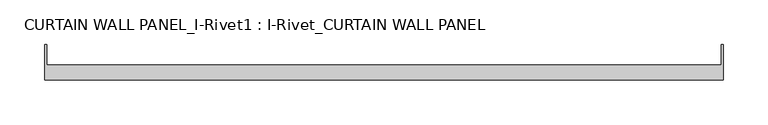
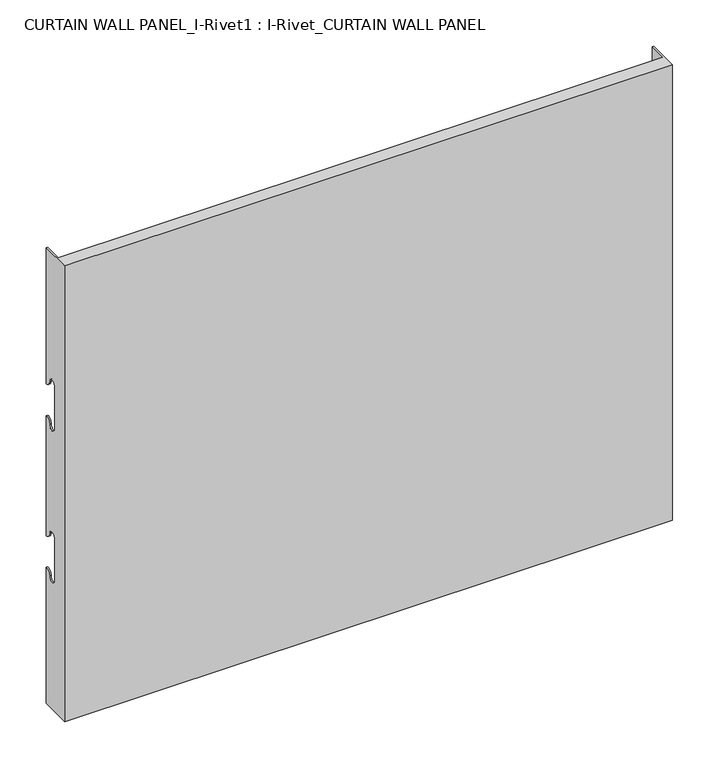
"""IFC4 building model written with IfcOpenShell, lengths in millimetres: plate geometry, CURTAIN WALL PANEL_I-Rivet1 : I-Rivet_CURTAIN WALL PANEL."""

from ifc_helpers import new_model, si_unit, frame, origin, place, context, project, spatial, polyline, circle_curve, source, transform, mapped, element, save
from ifc_brep_helpers import plane_surface, cylinder_surface, revolved_surface, advanced_brep


def curtain_wall_panel_i_rivet1_i_rivet_curtain_wall_panel_ecd3a183(model_context):
    return source(origin(), model_context, "Body", "AdvancedBrep", [
        advanced_brep(
        [(-378.5915221, -85.0, 600.0), (378.5915221, -85.0, 600.0), (378.5915221, -45.3384103, 600.0), (376.5915221, -45.3384103, 600.0), (376.5915221, -68.0, 600.0), (-376.5915221, -68.0, 600.0), (-376.5915221, -45.3384103, 600.0), (-378.5915221, -45.3384103, 600.0), (-378.5915221, -85.0, 0.0), (-378.5915221, -45.3384103, 0.0), (-376.5915221, -45.3384103, 0.0), (-376.5915221, -68.0, 0.0), (376.5915221, -68.0, 0.0), (376.5915221, -45.3384103, 0.0), (378.5915221, -45.3384103, 0.0), (378.5915221, -85.0, 0.0), (-378.5915221, -45.3384103, 421.0), (-378.5915221, -52.3384103, 428.0), (-378.5915221, -63.3384103, 428.0), (-378.5915221, -63.3384103, 372.0), (-378.5915221, -52.3384103, 372.0), (-378.5915221, -45.3384103, 379.0), (-378.5915221, -45.3384103, 221.0), (-378.5915221, -52.3384103, 228.0), (-378.5915221, -63.3384103, 228.0), (-378.5915221, -63.3384103, 172.0), (-378.5915221, -52.3384103, 172.0), (-378.5915221, -45.3384103, 179.0), (-376.5915221, -45.3384103, 179.0), (-376.5915221, -45.3384103, 379.0), (-376.5915221, -45.3384103, 221.0), (-376.5915221, -45.3384103, 421.0), (378.5915221, -45.3384103, 421.0), (376.5915221, -45.3384103, 421.0), (376.5915221, -45.3384103, 179.0), (378.5915221, -45.3384103, 179.0), (376.5915221, -45.3384103, 221.0), (376.5915221, -45.3384103, 379.0), (378.5915221, -45.3384103, 379.0), (378.5915221, -45.3384103, 221.0), (378.5915221, -52.3384103, 172.0), (378.5915221, -63.3384103, 172.0), (378.5915221, -63.3384103, 228.0), (378.5915221, -52.3384103, 228.0), (378.5915221, -52.3384103, 372.0), (378.5915221, -63.3384103, 372.0), (378.5915221, -63.3384103, 428.0), (378.5915221, -52.3384103, 428.0), (-376.5915221, -52.3384103, 172.0), (-376.5915221, -63.3384103, 172.0), (-376.5915221, -63.3384103, 228.0), (-376.5915221, -52.3384103, 228.0), (-376.5915221, -52.3384103, 372.0), (-376.5915221, -63.3384103, 372.0), (-376.5915221, -63.3384103, 428.0), (-376.5915221, -52.3384103, 428.0), (376.5915221, -52.3384103, 428.0), (376.5915221, -63.3384103, 428.0), (376.5915221, -63.3384103, 372.0), (376.5915221, -52.3384103, 372.0), (376.5915221, -52.3384103, 228.0), (376.5915221, -63.3384103, 228.0), (376.5915221, -63.3384103, 172.0), (376.5915221, -52.3384103, 172.0)],
        [
            (0, 1),
            (1, 2),
            (2, 3),
            (3, 4),
            (4, 5),
            (5, 6),
            (6, 7),
            (7, 0),
            (8, 9),
            (9, 10),
            (10, 11),
            (11, 12),
            (12, 13),
            (13, 14),
            (14, 15),
            (15, 8),
            (7, 16),
            (16, 17, circle_curve(frame((-378.5915221, -45.3384103, 428.0), z_axis=(-1.0, 0.0, 0.0), x_axis=(0.0, -1.0, 0.0)), 7.0)),
            (17, 18, circle_curve(frame((-378.5915221, -57.8384103, 428.0), z_axis=(1.0, 0.0, 0.0), x_axis=(0.0, -1.0, 0.0)), 5.5)),
            (18, 19),
            (19, 20, circle_curve(frame((-378.5915221, -57.8384103, 372.0), z_axis=(1.0, 0.0, 0.0), x_axis=(0.0, -1.0, 0.0)), 5.5)),
            (20, 21, circle_curve(frame((-378.5915221, -45.3384103, 372.0), z_axis=(-1.0, 0.0, 0.0), x_axis=(0.0, -1.0, 0.0)), 7.0)),
            (21, 22),
            (22, 23, circle_curve(frame((-378.5915221, -45.3384103, 228.0), z_axis=(-1.0, 0.0, 0.0), x_axis=(0.0, -1.0, 0.0)), 7.0)),
            (23, 24, circle_curve(frame((-378.5915221, -57.8384103, 228.0), z_axis=(1.0, 0.0, 0.0), x_axis=(0.0, -1.0, 0.0)), 5.5)),
            (24, 25),
            (25, 26, circle_curve(frame((-378.5915221, -57.8384103, 172.0), z_axis=(1.0, 0.0, 0.0), x_axis=(0.0, -1.0, 0.0)), 5.5)),
            (26, 27, circle_curve(frame((-378.5915221, -45.3384103, 172.0), z_axis=(-1.0, 0.0, 0.0), x_axis=(0.0, -1.0, 0.0)), 7.0)),
            (27, 9),
            (8, 0),
            (27, 28),
            (28, 10),
            (21, 29),
            (29, 30),
            (30, 22),
            (6, 31),
            (31, 16),
            (2, 32),
            (32, 33),
            (33, 3),
            (13, 34),
            (34, 35),
            (35, 14),
            (36, 37),
            (37, 38),
            (38, 39),
            (39, 36),
            (1, 15),
            (35, 40, circle_curve(frame((378.5915221, -45.3384103, 172.0), z_axis=(1.0, 0.0, 0.0), x_axis=(0.0, -1.0, 0.0)), 7.0)),
            (40, 41, circle_curve(frame((378.5915221, -57.8384103, 172.0), z_axis=(-1.0, 0.0, 0.0), x_axis=(0.0, -1.0, 0.0)), 5.5)),
            (41, 42),
            (42, 43, circle_curve(frame((378.5915221, -57.8384103, 228.0), z_axis=(-1.0, 0.0, 0.0), x_axis=(0.0, -1.0, 0.0)), 5.5)),
            (43, 39, circle_curve(frame((378.5915221, -45.3384103, 228.0), z_axis=(1.0, 0.0, 0.0), x_axis=(0.0, -1.0, 0.0)), 7.0)),
            (38, 44, circle_curve(frame((378.5915221, -45.3384103, 372.0), z_axis=(1.0, 0.0, 0.0), x_axis=(0.0, -1.0, 0.0)), 7.0)),
            (44, 45, circle_curve(frame((378.5915221, -57.8384103, 372.0), z_axis=(-1.0, 0.0, 0.0), x_axis=(0.0, -1.0, 0.0)), 5.5)),
            (45, 46),
            (46, 47, circle_curve(frame((378.5915221, -57.8384103, 428.0), z_axis=(-1.0, 0.0, 0.0), x_axis=(0.0, -1.0, 0.0)), 5.5)),
            (47, 32, circle_curve(frame((378.5915221, -45.3384103, 428.0), z_axis=(1.0, 0.0, 0.0), x_axis=(0.0, -1.0, 0.0)), 7.0)),
            (5, 11),
            (28, 48, circle_curve(frame((-376.5915221, -45.3384103, 172.0), z_axis=(1.0, 0.0, 0.0), x_axis=(0.0, -1.0, 0.0)), 7.0)),
            (48, 49, circle_curve(frame((-376.5915221, -57.8384103, 172.0), z_axis=(-1.0, 0.0, 0.0), x_axis=(0.0, -1.0, 0.0)), 5.5)),
            (49, 50),
            (50, 51, circle_curve(frame((-376.5915221, -57.8384103, 228.0), z_axis=(-1.0, 0.0, 0.0), x_axis=(0.0, -1.0, 0.0)), 5.5)),
            (51, 30, circle_curve(frame((-376.5915221, -45.3384103, 228.0), z_axis=(1.0, 0.0, 0.0), x_axis=(0.0, -1.0, 0.0)), 7.0)),
            (29, 52, circle_curve(frame((-376.5915221, -45.3384103, 372.0), z_axis=(1.0, 0.0, 0.0), x_axis=(0.0, -1.0, 0.0)), 7.0)),
            (52, 53, circle_curve(frame((-376.5915221, -57.8384103, 372.0), z_axis=(-1.0, 0.0, 0.0), x_axis=(0.0, -1.0, 0.0)), 5.5)),
            (53, 54),
            (54, 55, circle_curve(frame((-376.5915221, -57.8384103, 428.0), z_axis=(-1.0, 0.0, 0.0), x_axis=(0.0, -1.0, 0.0)), 5.5)),
            (55, 31, circle_curve(frame((-376.5915221, -45.3384103, 428.0), z_axis=(1.0, 0.0, 0.0), x_axis=(0.0, -1.0, 0.0)), 7.0)),
            (33, 56, circle_curve(frame((376.5915221, -45.3384103, 428.0), z_axis=(-1.0, 0.0, 0.0), x_axis=(0.0, -1.0, 0.0)), 7.0)),
            (56, 57, circle_curve(frame((376.5915221, -57.8384103, 428.0), z_axis=(1.0, 0.0, 0.0), x_axis=(0.0, -1.0, 0.0)), 5.5)),
            (57, 58),
            (58, 59, circle_curve(frame((376.5915221, -57.8384103, 372.0), z_axis=(1.0, 0.0, 0.0), x_axis=(0.0, -1.0, 0.0)), 5.5)),
            (59, 37, circle_curve(frame((376.5915221, -45.3384103, 372.0), z_axis=(-1.0, 0.0, 0.0), x_axis=(0.0, -1.0, 0.0)), 7.0)),
            (36, 60, circle_curve(frame((376.5915221, -45.3384103, 228.0), z_axis=(-1.0, 0.0, 0.0), x_axis=(0.0, -1.0, 0.0)), 7.0)),
            (60, 61, circle_curve(frame((376.5915221, -57.8384103, 228.0), z_axis=(1.0, 0.0, 0.0), x_axis=(0.0, -1.0, 0.0)), 5.5)),
            (61, 62),
            (62, 63, circle_curve(frame((376.5915221, -57.8384103, 172.0), z_axis=(1.0, 0.0, 0.0), x_axis=(0.0, -1.0, 0.0)), 5.5)),
            (63, 34, circle_curve(frame((376.5915221, -45.3384103, 172.0), z_axis=(-1.0, 0.0, 0.0), x_axis=(0.0, -1.0, 0.0)), 7.0)),
            (12, 4),
            (41, 62),
            (61, 42),
            (49, 25),
            (24, 50),
            (40, 63),
            (48, 26),
            (51, 23),
            (43, 60),
            (18, 54),
            (53, 19),
            (57, 46),
            (45, 58),
            (17, 55),
            (56, 47),
            (59, 44),
            (20, 52),
        ],
        [
            plane_surface(frame((-378.5915221, -45.3384103, 600.0), z_axis=(0.0, 0.0, 1.0), x_axis=(0.0, 1.0, 0.0))),
            plane_surface(frame((-378.5915221, -45.3384103, 0.0), z_axis=(0.0, 0.0, -1.0), x_axis=(0.0, -1.0, 0.0))),
            plane_surface(frame((-378.5915221, -85.0, 600.0), z_axis=(-1.0, 0.0, 0.0), x_axis=(0.0, 0.0, -1.0))),
            plane_surface(frame((-378.5915221, -45.3384103, 600.0), z_axis=(0.0, 1.0, 0.0), x_axis=(0.0, 0.0, -1.0))),
            plane_surface(frame((376.5915221, -45.3384103, 600.0), z_axis=(0.0, 1.0, 0.0), x_axis=(0.0, 0.0, -1.0))),
            plane_surface(frame((378.5915221, -45.3384103, 600.0), z_axis=(1.0, 0.0, 0.0), x_axis=(0.0, 0.0, -1.0))),
            plane_surface(frame((378.5915221, -85.0, 600.0), z_axis=(0.0, -1.0, 0.0), x_axis=(0.0, 0.0, -1.0))),
            plane_surface(frame((-376.5915221, -45.3384103, 600.0), z_axis=(1.0, 0.0, 0.0), x_axis=(0.0, 0.0, -1.0))),
            plane_surface(frame((376.5915221, -68.0, 600.0), z_axis=(-1.0, 0.0, 0.0), x_axis=(0.0, 0.0, -1.0))),
            plane_surface(frame((-377.5915221, -68.0, 600.0), z_axis=(0.0, 1.0, 0.0), x_axis=(0.0, 0.0, -1.0))),
            plane_surface(frame((-378.5915221, -63.3384103, 228.0), z_axis=(0.0, 1.0, 0.0), x_axis=(1.0, 0.0, 0.0))),
            revolved_surface(polyline([(376.5915221, -63.3384103, 172.0), (378.5915221, -63.3384103, 172.0)]), (-378.5915221, -57.8384103, 172.0), (-1.0, 0.0, 0.0)),
            revolved_surface(polyline([(-378.5915221, -63.3384103, 172.0), (-376.5915221, -63.3384103, 172.0)]), (-378.5915221, -57.8384103, 172.0), (-1.0, 0.0, 0.0)),
            cylinder_surface(frame((-378.5915221, -45.3384103, 172.0), z_axis=(1.0, 0.0, 0.0), x_axis=(0.0, -1.0, 0.0)), 7.0),
            cylinder_surface(frame((-378.5915221, -45.3384103, 228.0), z_axis=(1.0, 0.0, 0.0), x_axis=(0.0, -1.0, 0.0)), 7.0),
            revolved_surface(polyline([(-378.5915221, -63.3384103, 228.0), (-376.5915221, -63.3384103, 228.0)]), (-378.5915221, -57.8384103, 228.0), (-1.0, 0.0, 0.0)),
            revolved_surface(polyline([(376.5915221, -63.3384103, 228.0), (378.5915221, -63.3384103, 228.0)]), (-378.5915221, -57.8384103, 228.0), (-1.0, 0.0, 0.0)),
            plane_surface(frame((378.5915221, -63.3384103, 372.0), z_axis=(0.0, 1.0, 0.0), x_axis=(-1.0, 0.0, 0.0))),
            revolved_surface(polyline([(-376.5915221, -63.3384103, 428.0), (-378.5915221, -63.3384103, 428.0)]), (378.5915221, -57.8384103, 428.0), (1.0, 0.0, 0.0)),
            revolved_surface(polyline([(378.5915221, -63.3384103, 428.0), (376.5915221, -63.3384103, 428.0)]), (378.5915221, -57.8384103, 428.0), (1.0, 0.0, 0.0)),
            cylinder_surface(frame((378.5915221, -45.3384103, 428.0), z_axis=(-1.0, 0.0, 0.0), x_axis=(0.0, -1.0, 0.0)), 7.0),
            cylinder_surface(frame((378.5915221, -45.3384103, 372.0), z_axis=(-1.0, 0.0, 0.0), x_axis=(0.0, -1.0, 0.0)), 7.0),
            revolved_surface(polyline([(378.5915221, -63.3384103, 372.0), (376.5915221, -63.3384103, 372.0)]), (378.5915221, -57.8384103, 372.0), (1.0, 0.0, 0.0)),
            revolved_surface(polyline([(-376.5915221, -63.3384103, 372.0), (-378.5915221, -63.3384103, 372.0)]), (378.5915221, -57.8384103, 372.0), (1.0, 0.0, 0.0)),
        ],
        [
            (0, [[1, 2, 3, 4, 5, 6, 7, 8]]),
            (1, [[9, 10, 11, 12, 13, 14, 15, 16]]),
            (2, [[17, 18, 19, 20, 21, 22, 23, 24, 25, 26, 27, 28, 29, -9, 30, -8]]),
            (3, [[-29, 31, 32, -10]]),
            (3, [[-23, 33, 34, 35]]),
            (3, [[36, 37, -17, -7]]),
            (4, [[38, 39, 40, -3]]),
            (4, [[41, 42, 43, -14]]),
            (4, [[44, 45, 46, 47]]),
            (5, [[48, -15, -43, 49, 50, 51, 52, 53, -46, 54, 55, 56, 57, 58, -38, -2]]),
            (6, [[-30, -16, -48, -1]]),
            (7, [[59, -11, -32, 60, 61, 62, 63, 64, -34, 65, 66, 67, 68, 69, -36, -6]]),
            (8, [[-40, 70, 71, 72, 73, 74, -44, 75, 76, 77, 78, 79, -41, -13, 80, -4]]),
            (9, [[-80, -12, -59, -5]]),
            (10, [[-51, 81, -77, 82]]),
            (10, [[-62, 83, -26, 84]]),
            (11, [[-50, 85, -78, -81]]),
            (12, [[-61, 86, -27, -83]]),
            (13, [[-49, -42, -79, -85]]),
            (13, [[-60, -31, -28, -86]]),
            (14, [[-24, -35, -64, 87]]),
            (14, [[-75, -47, -53, 88]]),
            (15, [[-25, -87, -63, -84]]),
            (16, [[-76, -88, -52, -82]]),
            (17, [[-20, 89, -67, 90]]),
            (17, [[-72, 91, -56, 92]]),
            (18, [[-19, 93, -68, -89]]),
            (19, [[-71, 94, -57, -91]]),
            (20, [[-18, -37, -69, -93]]),
            (20, [[-70, -39, -58, -94]]),
            (21, [[-54, -45, -74, 95]]),
            (21, [[-65, -33, -22, 96]]),
            (22, [[-55, -95, -73, -92]]),
            (23, [[-66, -96, -21, -90]]),
        ],
    ),
    ])


if __name__ == "__main__":
    model = new_model("IFC4")
    model_context = context("Model", 3, world=origin())
    ifc_project = project(units=[si_unit("LENGTHUNIT", "METRE", prefix="MILLI")], contexts=[model_context])
    site = spatial("IfcSite", under=ifc_project)
    building = spatial("IfcBuilding", under=site)
    placement = place(None, origin())
    curtain_wall_panel_i_rivet1_i_rivet_curtain_wall_panel_shape = curtain_wall_panel_i_rivet1_i_rivet_curtain_wall_panel_ecd3a183(model_context)
    element("IfcPlate", 1, ObjectType="CURTAIN WALL PANEL_I-Rivet1 : I-Rivet_CURTAIN WALL PANEL", at=placement, inside=building, context=model_context, shape_type="MappedRepresentation", body=[
        mapped(curtain_wall_panel_i_rivet1_i_rivet_curtain_wall_panel_shape, transform((0.0, 0.0, 0.0), x_axis=(1.0, 0.0, 0.0), y_axis=(0.0, 1.0, 0.0), z_axis=(0.0, 0.0, 1.0))),
    ])
    save(model, "model.ifc")
